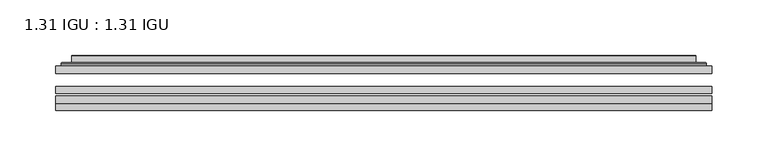
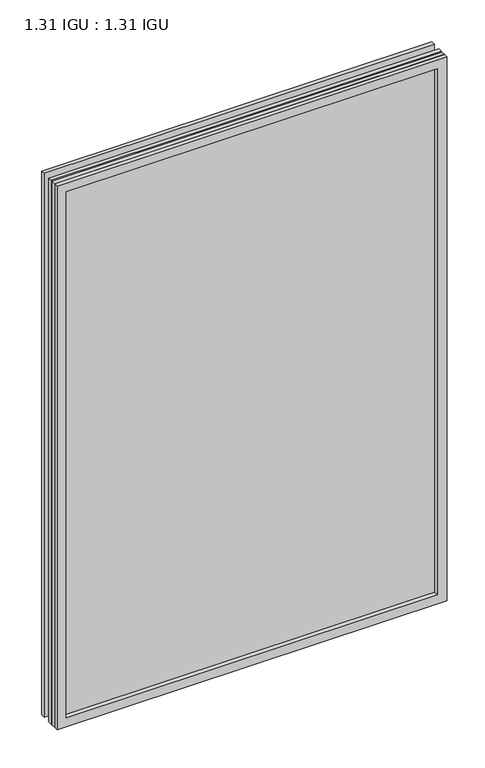
"""IFC4 building model written with IfcOpenShell, lengths in millimetres: plate geometry, 1.31 IGU : 1.31 IGU."""

from ifc_helpers import new_model, si_unit, frame, origin, place, context, project, spatial, polyline, ellipse_curve, outline, extrude, faceted_brep, source, transform, mapped, element, save
from ifc_brep_helpers import plane_surface, cylinder_surface, advanced_brep


def plate_1_31_igu_1_31_igu_515c677c(model_context):
    return source(origin(), model_context, "Body", "SolidModel", [
        extrude(outline(polyline([(295.2923663, -63.2975937), (295.2923663, -69.6475938), (-295.2781913, -69.6475938), (-295.2781913, -63.2975937), (295.2923663, -63.2975937)])), frame((0.0, 0.0, -14.2875), z_axis=(0.0, 0.0, 1.0), x_axis=(1.0, 0.0, 0.0)), (0.0, 0.0, 1.0), 869.9537979),
        extrude(outline(polyline([(-295.2781913, -78.2835938), (-295.2781913, -71.9330887), (295.2923663, -71.9330887), (295.2923663, -78.2835938), (-295.2781913, -78.2835938)])), frame((0.0, 0.0, -14.2875), z_axis=(0.0, 0.0, 1.0), x_axis=(1.0, 0.0, 0.0)), (0.0, 0.0, 1.0), 869.9537979),
        extrude(outline(polyline([(295.2923663, -44.9587937), (295.2923663, -51.3087938), (-295.2781913, -51.3087938), (-295.2781913, -44.9587937), (295.2923663, -44.9587937)])), frame((0.0, 0.0, -14.2875), z_axis=(0.0, 0.0, 1.0), x_axis=(1.0, 0.0, 0.0)), (0.0, 0.0, 1.0), 869.9537979),
        faceted_brep([(-295.2908913, -84.6335937, 855.6752), (-295.2908913, -78.2835937, 855.6752), (-295.2908913, -78.2835937, -14.3002), (-295.2908913, -84.6335937, -14.3002), (295.2908913, -78.2835937, -14.3002), (295.2908913, -84.6335937, -14.3002), (295.2908913, -78.2835937, 855.6752), (295.2908913, -84.6335937, 855.6752), (-280.0929472, -78.2835937, 0.8977441), (280.0929472, -78.2835937, 0.8977441), (280.0929472, -78.2835937, 840.4772559), (-280.0929472, -78.2835937, 840.4772559), (-280.9853815, -84.6335937, 841.3696902), (280.9853815, -84.6335937, 841.3696902), (280.9853815, -84.6335937, 0.0053098), (-280.9853815, -84.6335937, 0.0053098)], [[[0, 1, 2, 3]], [[3, 2, 4, 5]], [[5, 4, 6, 7]], [[1, 6, 4, 2], [8, 9, 10, 11]], [[7, 6, 1, 0]], [[3, 5, 7, 0], [12, 13, 14, 15]], [[11, 12, 15, 8]], [[8, 15, 14, 9]], [[9, 14, 13, 10]], [[10, 13, 12, 11]]]),
        advanced_brep(
        [(-288.0369103, -44.9587937, 848.421219), (-290.3911157, -42.9691271, 850.7754244), (-290.3911157, -42.9691271, -9.4004244), (-288.0369103, -44.9587937, -7.046219), (-278.9625852, -41.1187568, 839.3468939), (-274.0277534, -44.9587937, 834.4120621), (-274.0277534, -44.9587937, 6.9629379), (-278.9625852, -41.1187568, 2.0281061), (-279.994613, -35.7215256, 840.3789217), (-279.994613, -35.7215256, 0.9960783), (-280.9852697, -35.3225507, 841.3695784), (-280.9852697, -35.3225507, 0.0054216), (-280.9852697, -41.7837937, 841.3695784), (-280.9852697, -41.7837937, 0.0054216), (-289.3893262, -41.7837937, 849.7736349), (-289.3893262, -41.7837937, -8.3986349), (290.3911157, -42.9691271, -9.4004244), (288.0369103, -44.9587937, -7.046219), (274.0277534, -44.9587937, 6.9629379), (278.9625852, -41.1187568, 2.0281061), (279.994613, -35.7215256, 0.9960783), (280.9852697, -35.3225507, 0.0054216), (280.9852697, -41.7837937, 0.0054216), (289.3893262, -41.7837937, -8.3986349), (290.3911157, -42.9691271, 850.7754244), (288.0369103, -44.9587937, 848.421219), (274.0277534, -44.9587937, 834.4120621), (278.9625852, -41.1187568, 839.3468939), (279.994613, -35.7215256, 840.3789217), (280.9852697, -35.3225507, 841.3695784), (280.9852697, -41.7837937, 841.3695784), (289.3893262, -41.7837937, 849.7736349)],
        [
            (0, 1, ellipse_curve(frame((-288.0369103, -42.5711937, 848.421219), z_axis=(-0.7071067811865475, 0.0, -0.7071067811865475), x_axis=(-0.7071067811865474, 0.0, 0.7071067811865476)), 3.3765763, 2.3876)),
            (1, 2),
            (2, 3, ellipse_curve(frame((-288.0369103, -42.5711937, -7.046219), z_axis=(-0.7071067811865475, 0.0, 0.7071067811865475), x_axis=(0.7071067811865474, 0.0, 0.7071067811865476)), 3.3765763, 2.3876)),
            (3, 0),
            (4, 5),
            (5, 6),
            (6, 7),
            (7, 4),
            (8, 4),
            (7, 9),
            (9, 8),
            (10, 8, ellipse_curve(frame((-280.6183132, -35.840786, 841.0026219), z_axis=(-0.7071067811865475, 0.0, -0.7071067811865475), x_axis=(-0.7071067811865474, 0.0, 0.7071067811865476)), 0.8980256, 0.635)),
            (9, 11, ellipse_curve(frame((-280.6183132, -35.840786, 0.3723781), z_axis=(-0.7071067811865475, 0.0, 0.7071067811865475), x_axis=(0.7071067811865474, 0.0, 0.7071067811865476)), 0.8980256, 0.635)),
            (11, 10),
            (12, 10),
            (11, 13),
            (13, 12),
            (1, 14, ellipse_curve(frame((-289.3893262, -42.7997937, 849.7736349), z_axis=(-0.7071067811865475, 0.0, -0.7071067811865475), x_axis=(-0.7071067811865474, 0.0, 0.7071067811865476)), 1.436841, 1.016)),
            (14, 15),
            (15, 2, ellipse_curve(frame((-289.3893262, -42.7997937, -8.3986349), z_axis=(-0.7071067811865475, 0.0, 0.7071067811865475), x_axis=(0.7071067811865474, 0.0, 0.7071067811865476)), 1.436841, 1.016)),
            (2, 16),
            (16, 17, ellipse_curve(frame((288.0369103, -42.5711937, -7.046219), z_axis=(-0.7071067811865475, 0.0, -0.7071067811865475), x_axis=(-0.7071067811865476, 0.0, 0.7071067811865474)), 3.3765763, 2.3876)),
            (17, 3),
            (6, 18),
            (18, 19),
            (19, 7),
            (19, 20),
            (20, 9),
            (20, 21, ellipse_curve(frame((280.6183132, -35.840786, 0.3723781), z_axis=(-0.7071067811865475, 0.0, -0.7071067811865475), x_axis=(-0.7071067811865476, 0.0, 0.7071067811865474)), 0.8980256, 0.635)),
            (21, 11),
            (21, 22),
            (22, 13),
            (15, 23),
            (23, 16, ellipse_curve(frame((289.3893262, -42.7997937, -8.3986349), z_axis=(-0.7071067811865475, 0.0, -0.7071067811865475), x_axis=(-0.7071067811865476, 0.0, 0.7071067811865474)), 1.436841, 1.016)),
            (16, 24),
            (24, 25, ellipse_curve(frame((288.0369103, -42.5711937, 848.421219), z_axis=(0.7071067811865475, 0.0, -0.7071067811865475), x_axis=(-0.7071067811865474, 0.0, -0.7071067811865476)), 3.3765763, 2.3876)),
            (25, 17),
            (18, 26),
            (26, 27),
            (27, 19),
            (27, 28),
            (28, 20),
            (28, 29, ellipse_curve(frame((280.6183132, -35.840786, 841.0026219), z_axis=(0.7071067811865475, 0.0, -0.7071067811865475), x_axis=(-0.7071067811865474, 0.0, -0.7071067811865476)), 0.8980256, 0.635)),
            (29, 21),
            (29, 30),
            (30, 22),
            (23, 31),
            (31, 24, ellipse_curve(frame((289.3893262, -42.7997937, 849.7736349), z_axis=(0.7071067811865475, 0.0, -0.7071067811865475), x_axis=(-0.7071067811865474, 0.0, -0.7071067811865476)), 1.436841, 1.016)),
            (24, 1),
            (0, 25),
            (5, 26),
            (4, 27),
            (8, 28),
            (10, 29),
            (12, 30),
            (14, 31),
        ],
        [
            cylinder_surface(frame((-288.0369103, -42.5711937, 873.125), z_axis=(0.0, 0.0, 1.0), x_axis=(-1.0, 0.0, 0.0)), 2.3876),
            plane_surface(frame((-274.0277534, -44.9587937, 834.4120621), z_axis=(0.6141233906514794, 0.7892100234124821, 0.0), x_axis=(0.0, 0.0, -1.0))),
            plane_surface(frame((-278.9625852, -41.1187568, 839.3468939), z_axis=(0.9822050625507729, 0.18781164793386074, 0.0), x_axis=(0.0, 0.0, -1.0))),
            cylinder_surface(frame((-280.6183132, -35.840786, 873.125), z_axis=(0.0, 0.0, 1.0), x_axis=(-1.0, 0.0, 0.0)), 0.635),
            plane_surface(frame((-280.9852697, -35.3225507, 841.3695784), z_axis=(-1.0, 0.0, 0.0), x_axis=(0.0, 0.0, -1.0))),
            cylinder_surface(frame((-289.3893262, -42.7997937, 873.125), z_axis=(0.0, 0.0, 1.0), x_axis=(-1.0, 0.0, 0.0)), 1.016),
            cylinder_surface(frame((-312.7406913, -42.5711937, -7.046219), z_axis=(-1.0, 0.0, 0.0), x_axis=(0.0, 0.0, -1.0)), 2.3876),
            plane_surface(frame((-274.0277534, -44.9587937, 6.9629379), z_axis=(0.0, 0.7892100234124841, 0.6141233906514768), x_axis=(1.0, 0.0, 0.0))),
            plane_surface(frame((-278.9625852, -41.1187568, 2.0281061), z_axis=(0.0, 0.18781164793386393, 0.9822050625507723), x_axis=(1.0, 0.0, 0.0))),
            cylinder_surface(frame((-312.7406913, -35.840786, 0.3723781), z_axis=(-1.0, 0.0, 0.0), x_axis=(0.0, 0.0, -1.0)), 0.635),
            plane_surface(frame((-280.9852697, -35.3225507, 0.0054216), z_axis=(0.0, 0.0, -1.0), x_axis=(1.0, 0.0, 0.0))),
            cylinder_surface(frame((-312.7406913, -42.7997937, -8.3986349), z_axis=(-1.0, 0.0, 0.0), x_axis=(0.0, 0.0, -1.0)), 1.016),
            cylinder_surface(frame((288.0369103, -42.5711937, -31.75), z_axis=(0.0, 0.0, -1.0), x_axis=(1.0, 0.0, 0.0)), 2.3876),
            plane_surface(frame((274.0277534, -44.9587937, 6.9629379), z_axis=(-0.6141233906514743, 0.7892100234124861, 0.0), x_axis=(0.0, 0.0, 1.0))),
            plane_surface(frame((278.9625852, -41.1187568, 2.0281061), z_axis=(-0.9822050625507718, 0.18781164793386712, 0.0), x_axis=(0.0, 0.0, 1.0))),
            cylinder_surface(frame((280.6183132, -35.840786, -31.75), z_axis=(0.0, 0.0, -1.0), x_axis=(1.0, 0.0, 0.0)), 0.635),
            plane_surface(frame((280.9852697, -35.3225507, 0.0054216), z_axis=(1.0, 0.0, 0.0), x_axis=(0.0, 0.0, 1.0))),
            cylinder_surface(frame((289.3893262, -42.7997937, -31.75), z_axis=(0.0, 0.0, -1.0), x_axis=(1.0, 0.0, 0.0)), 1.016),
            cylinder_surface(frame((312.7406913, -42.5711937, 848.421219), z_axis=(1.0, 0.0, 0.0), x_axis=(0.0, 0.0, 1.0)), 2.3876),
            plane_surface(frame((288.0369103, -44.9587937, 848.421219), z_axis=(0.0, -1.0, 0.0), x_axis=(-1.0, 0.0, 0.0))),
            plane_surface(frame((274.0277534, -44.9587937, 834.4120621), z_axis=(0.0, 0.7892100234124841, -0.6141233906514768), x_axis=(-1.0, 0.0, 0.0))),
            plane_surface(frame((278.9625852, -41.1187568, 839.3468939), z_axis=(0.0, 0.18781164793386393, -0.9822050625507723), x_axis=(-1.0, 0.0, 0.0))),
            cylinder_surface(frame((312.7406913, -35.840786, 841.0026219), z_axis=(1.0, 0.0, 0.0), x_axis=(0.0, 0.0, 1.0)), 0.635),
            plane_surface(frame((280.9852697, -35.3225507, 841.3695784), z_axis=(0.0, 0.0, 1.0), x_axis=(-1.0, 0.0, 0.0))),
            plane_surface(frame((280.9852697, -41.7837937, 841.3695784), z_axis=(0.0, 1.0, 0.0), x_axis=(-1.0, 0.0, 0.0))),
            cylinder_surface(frame((312.7406913, -42.7997937, 849.7736349), z_axis=(1.0, 0.0, 0.0), x_axis=(0.0, 0.0, 1.0)), 1.016),
        ],
        [
            (0, [[1, 2, 3, 4]]),
            (1, [[5, 6, 7, 8]]),
            (2, [[9, -8, 10, 11]]),
            (3, [[12, -11, 13, 14]]),
            (4, [[15, -14, 16, 17]]),
            (5, [[18, 19, 20, -2]]),
            (6, [[-3, 21, 22, 23]]),
            (7, [[-7, 24, 25, 26]]),
            (8, [[-10, -26, 27, 28]]),
            (9, [[-13, -28, 29, 30]]),
            (10, [[-16, -30, 31, 32]]),
            (11, [[-20, 33, 34, -21]]),
            (12, [[-22, 35, 36, 37]]),
            (13, [[-25, 38, 39, 40]]),
            (14, [[-27, -40, 41, 42]]),
            (15, [[-29, -42, 43, 44]]),
            (16, [[-31, -44, 45, 46]]),
            (17, [[-34, 47, 48, -35]]),
            (18, [[-36, 49, -1, 50]]),
            (19, [[-23, -37, -50, -4], [51, -38, -24, -6]]),
            (20, [[-39, -51, -5, 52]]),
            (21, [[-41, -52, -9, 53]]),
            (22, [[-43, -53, -12, 54]]),
            (23, [[-45, -54, -15, 55]]),
            (24, [[56, -47, -33, -19], [-32, -46, -55, -17]]),
            (25, [[-48, -56, -18, -49]]),
        ],
    ),
    ])


if __name__ == "__main__":
    model = new_model("IFC4")
    model_context = context("Model", 3, world=origin())
    ifc_project = project(units=[si_unit("LENGTHUNIT", "METRE", prefix="MILLI")], contexts=[model_context])
    site = spatial("IfcSite", under=ifc_project)
    building = spatial("IfcBuilding", under=site)
    placement = place(None, origin())
    plate_1_31_igu_1_31_igu_shape = plate_1_31_igu_1_31_igu_515c677c(model_context)
    element("IfcPlate", 1, ObjectType="1.31 IGU : 1.31 IGU", at=placement, inside=building, context=model_context, shape_type="MappedRepresentation", body=[
        mapped(plate_1_31_igu_1_31_igu_shape, transform((0.0, 0.0, 0.0), x_axis=(1.0, 0.0, 0.0), y_axis=(0.0, 1.0, 0.0), z_axis=(0.0, 0.0, 1.0))),
    ])
    save(model, "model.ifc")
